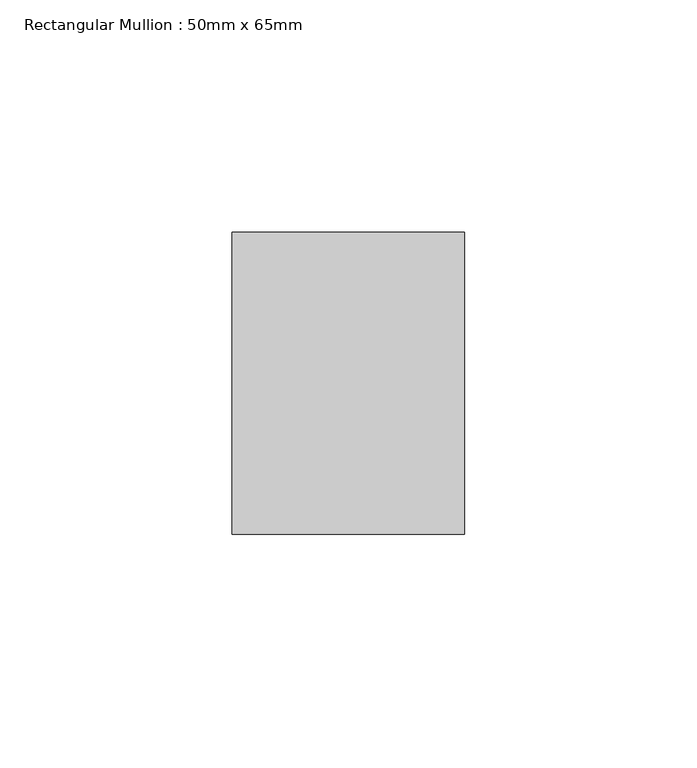
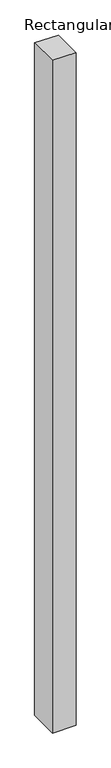
"""IFC4 building model written with IfcOpenShell, lengths in millimetres: member geometry, Rectangular Mullion : 50mm x 65mm."""

import ifcopenshell
import ifcopenshell.guid

model = None  # the IFC model being written
_history = None  # IfcOwnerHistory: only IFC2X3 demands one
_inside = {}  # id of a spatial element -> (the spatial element, [elements in it])
_under = {}  # id of a project, library or spatial element -> (it, [spatial elements below it])
_declared = {}  # id of a project -> (the project, [libraries it declares])
_typed = {}  # id of a type object -> (the type object, [elements of that type])
_made_of = {}  # id of a material, layer set ... -> (it, [elements and type objects made of it])


def new_model(schema):
    """Start an empty IFC model of exactly this schema.

    Asked for "IFC4X3", IfcOpenShell would pick the latest addendum, in which some entities
    have other attributes; the version numbers below select the first issue.
    IFC2X3 requires an IfcOwnerHistory on every rooted entity: one is made here for all.
    """
    global model, _history
    if schema == "IFC4X3":
        model = ifcopenshell.file(schema_version=(4, 3, 0, 0))
    else:
        model = ifcopenshell.file(schema=schema)
    _inside.clear()
    _under.clear()
    _declared.clear()
    _typed.clear()
    _made_of.clear()
    _history = None
    if model.schema == "IFC2X3":
        org = make("IfcOrganization", Name="unknown")
        user = make(
            "IfcPersonAndOrganization",
            ThePerson=make("IfcPerson", FamilyName="unknown"),
            TheOrganization=org,
        )
        app = make(
            "IfcApplication",
            ApplicationDeveloper=org,
            Version="unknown",
            ApplicationFullName="unknown",
            ApplicationIdentifier="unknown",
        )
        _history = make(
            "IfcOwnerHistory",
            OwningUser=user,
            OwningApplication=app,
            ChangeAction="ADDED",
            CreationDate=0,
        )
    return model


def make(cls, **values):
    """One entity of the class cls with the attributes given. An attribute that is None is left unset."""
    return model.create_entity(
        cls, **{name: value for name, value in values.items() if value is not None}
    )


def rooted(cls, **values):
    """An entity with a GlobalId (a new one), such as an element, a storey or a relation."""
    return make(cls, GlobalId=ifcopenshell.guid.new(), OwnerHistory=_history, **values)


def si_unit(unit_type, name, prefix=None):
    """IfcSIUnit, for example si_unit("LENGTHUNIT", "METRE", prefix="MILLI")."""
    return make("IfcSIUnit", UnitType=unit_type, Prefix=prefix, Name=name)


def assignment(units):
    """IfcUnitAssignment: the units of a project."""
    return None if units is None else make("IfcUnitAssignment", Units=units)


def point(xyz):
    """IfcCartesianPoint."""
    return None if xyz is None else make("IfcCartesianPoint", Coordinates=xyz)


def direction(xyz):
    """IfcDirection."""
    return None if xyz is None else make("IfcDirection", DirectionRatios=xyz)


def frame(location, z_axis=None, x_axis=None):
    """IfcAxis2Placement3D, a coordinate frame: its origin and axes. An axis left out is left unset."""
    return make(
        "IfcAxis2Placement3D",
        Location=point(location),
        Axis=direction(z_axis),
        RefDirection=direction(x_axis),
    )


def origin():
    """The frame at (0, 0, 0) with its axes left unset."""
    return frame((0.0, 0.0, 0.0))


def place(relative_to, where):
    """IfcLocalPlacement: puts the frame where relative to a parent placement (None: the world)."""
    return make(
        "IfcLocalPlacement", PlacementRelTo=relative_to, RelativePlacement=where
    )


def context(
    kind, dimensions, precision=None, world=None, true_north=None, identifier=None
):
    """IfcGeometricRepresentationContext, for example the 3D "Model" context."""
    return make(
        "IfcGeometricRepresentationContext",
        ContextIdentifier=identifier,
        ContextType=kind,
        CoordinateSpaceDimension=dimensions,
        Precision=precision,
        WorldCoordinateSystem=world,
        TrueNorth=true_north,
    )


def project(units=None, contexts=None):
    """IfcProject with its units and contexts."""
    return rooted(
        "IfcProject",
        Name="project",
        RepresentationContexts=contexts,
        UnitsInContext=assignment(units),
    )


def spatial(cls, under=None, at=None, **own):
    """A site, building, storey or space (cls), placed at a placement, below another one or the project."""
    s = rooted(cls, ObjectPlacement=at, **own)
    if under is not None:
        _under.setdefault(under.id(), (under, []))[1].append(s)
    return s


def polyline(points):
    """IfcPolyline through the points."""
    return make("IfcPolyline", Points=[point(p) for p in points])


def outline(outer, holes=None, kind="AREA"):
    """IfcArbitraryClosedProfileDef: a profile drawn as a closed curve; with holes, ...WithVoids."""
    if holes is None:
        return make("IfcArbitraryClosedProfileDef", ProfileType=kind, OuterCurve=outer)
    return make(
        "IfcArbitraryProfileDefWithVoids",
        ProfileType=kind,
        OuterCurve=outer,
        InnerCurves=holes,
    )


def extrude(swept, where, along, depth):
    """IfcExtrudedAreaSolid: the profile swept, set in the frame where, extruded along a direction by depth."""
    return make(
        "IfcExtrudedAreaSolid",
        SweptArea=swept,
        Position=where,
        ExtrudedDirection=direction(along),
        Depth=depth,
    )


def shape(context_of_items, identifier, shape_type, items):
    """IfcShapeRepresentation: the items that make up one representation, for example the "Body"."""
    return make(
        "IfcShapeRepresentation",
        ContextOfItems=context_of_items,
        RepresentationIdentifier=identifier,
        RepresentationType=shape_type,
        Items=items,
    )


def source(mapping_origin, context_of_items, identifier, shape_type, items):
    """IfcRepresentationMap: a shape defined once, which mapped items show again and again."""
    return make(
        "IfcRepresentationMap",
        MappingOrigin=mapping_origin,
        MappedRepresentation=shape(context_of_items, identifier, shape_type, items),
    )


def transform(
    local_origin,
    x_axis=None,
    y_axis=None,
    z_axis=None,
    scale=None,
    scale2=None,
    scale3=None,
    uniform=True,
):
    """IfcCartesianTransformationOperator3D, or its non-uniform kind. x_axis, y_axis, z_axis: its Axis1, 2, 3."""
    if uniform:
        return make(
            "IfcCartesianTransformationOperator3D",
            Axis1=direction(x_axis),
            Axis2=direction(y_axis),
            LocalOrigin=point(local_origin),
            Scale=scale,
            Axis3=direction(z_axis),
        )
    return make(
        "IfcCartesianTransformationOperator3DnonUniform",
        Axis1=direction(x_axis),
        Axis2=direction(y_axis),
        LocalOrigin=point(local_origin),
        Scale=scale,
        Axis3=direction(z_axis),
        Scale2=scale2,
        Scale3=scale3,
    )


def mapped(mapping_source, mapping_target):
    """IfcMappedItem: shows the shape of a source again, moved by a transform."""
    return make(
        "IfcMappedItem", MappingSource=mapping_source, MappingTarget=mapping_target
    )


def made_of(thing, what):
    """Note that an element or type object is made of a material, layer set ...; save() writes the relation."""
    if what is not None:
        _made_of.setdefault(what.id(), (what, []))[1].append(thing)
    return thing


def element(
    cls,
    number,
    at=None,
    inside=None,
    cuts=None,
    type_object=None,
    material=None,
    context=None,
    identifier="Body",
    shape_type=None,
    held_by="IfcProductDefinitionShape",
    body=None,
    shapes=None,
    **own,
):
    """One element of the class cls, such as IfcWall. Its Tag is "e" and its number.

    at: its placement. inside: the storey or other place that contains it. cuts: it is an
    opening in that element (IfcRelVoidsElement). A single representation is given by context,
    identifier, shape_type and body (its items); several are given by shapes. held_by: the class
    of the entity that holds the representations. save() writes the other relations.
    """
    e = rooted(cls, Tag="e%d" % number, ObjectPlacement=at, **own)
    if body is not None:
        shapes = [shape(context, identifier, shape_type, body)]
    if shapes is not None:
        e.Representation = make(held_by, Representations=shapes)
    if inside is not None:
        _inside.setdefault(inside.id(), (inside, []))[1].append(e)
    if cuts is not None:
        rooted(
            "IfcRelVoidsElement", RelatingBuildingElement=cuts, RelatedOpeningElement=e
        )
    if type_object is not None:
        _typed.setdefault(type_object.id(), (type_object, []))[1].append(e)
    return made_of(e, material)


def aggregate(whole, parts):
    """IfcRelAggregates: a whole, such as a stair, and the parts it consists of."""
    return rooted("IfcRelAggregates", RelatingObject=whole, RelatedObjects=parts)


def save(model, path):
    """Write the relations noted so far, then the file.

    IfcRelAggregates (storeys below a building ...), IfcRelContainedInSpatialStructure (elements
    in a storey), IfcRelDefinesByType, IfcRelAssociatesMaterial and IfcRelDeclares: one each for
    every whole, place, type object, material and project.
    """
    for whole, parts in _under.values():
        aggregate(whole, parts)
    for where, things in _inside.values():
        rooted(
            "IfcRelContainedInSpatialStructure",
            RelatedElements=things,
            RelatingStructure=where,
        )
    for kind, things in _typed.values():
        rooted("IfcRelDefinesByType", RelatedObjects=things, RelatingType=kind)
    for what, things in _made_of.values():
        rooted("IfcRelAssociatesMaterial", RelatedObjects=things, RelatingMaterial=what)
    for by, libraries in _declared.values():
        rooted("IfcRelDeclares", RelatingContext=by, RelatedDefinitions=libraries)
    model.write(path)


def rectangular_mullion_50mm_x_65mm_4ebab3eb(model_context):
    return source(origin(), model_context, "Body", "SweptSolid", [
        extrude(outline(polyline([(-32.5, 0.2027388), (32.5, -0.202739), (32.5, -1499.8929573), (-32.5, -1500.1076201), (-32.5, 0.2027388)])), frame((-25.0, 0.0, 0.0), z_axis=(1.0, 0.0, 0.0), x_axis=(0.0, 1.0, 0.0)), (0.0, 0.0, 1.0), 50.0),
    ])


if __name__ == "__main__":
    model = new_model("IFC4")
    model_context = context("Model", 3, world=origin())
    ifc_project = project(units=[si_unit("LENGTHUNIT", "METRE", prefix="MILLI")], contexts=[model_context])
    site = spatial("IfcSite", under=ifc_project)
    building = spatial("IfcBuilding", under=site)
    placement = place(None, origin())
    rectangular_mullion_50mm_x_65mm_shape = rectangular_mullion_50mm_x_65mm_4ebab3eb(model_context)
    element("IfcMember", 1, ObjectType="Rectangular Mullion : 50mm x 65mm", at=placement, inside=building, context=model_context, shape_type="MappedRepresentation", body=[
        mapped(rectangular_mullion_50mm_x_65mm_shape, transform((0.0, 0.0, 0.0), x_axis=(1.0, 0.0, 0.0), y_axis=(0.0, 1.0, 0.0), z_axis=(0.0, 0.0, 1.0))),
    ])
    save(model, "model.ifc")
